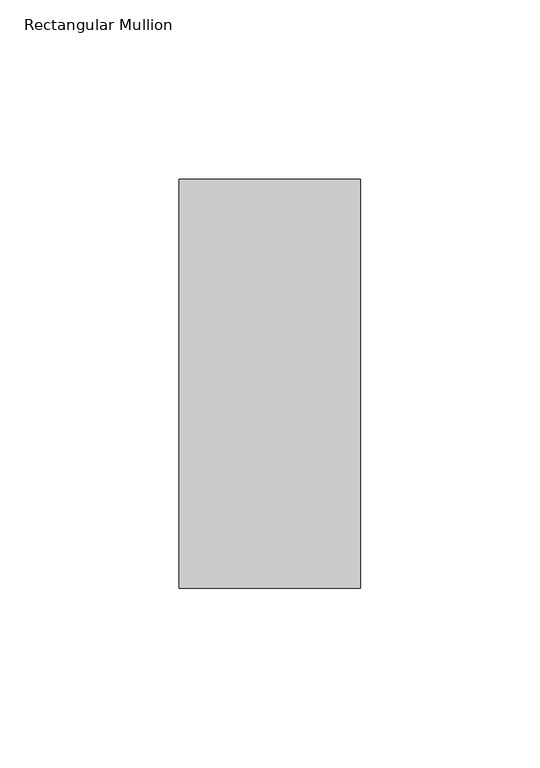
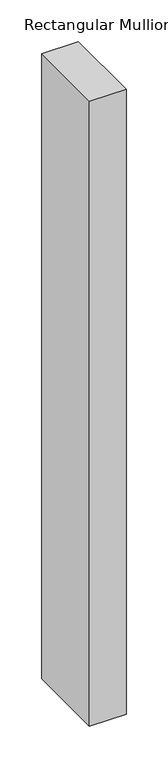
"""IFC4 building model written with IfcOpenShell, lengths in millimetres: member geometry, Rectangular Mullion."""

from ifc_helpers import new_model, si_unit, frame, origin, place, context, project, spatial, polyline, outline, extrude, source, transform, mapped, element, save


def rectangular_mullion_cc60aaa8(model_context):
    return source(origin(), model_context, "Body", "SweptSolid", [
        extrude(outline(polyline([(25.4, 57.12714), (25.4, -57.17286), (-25.4, -57.17286), (-25.4, 57.12714), (25.4, 57.12714)])), frame((0.0, 0.0, -914.4), z_axis=(0.0, 0.0, 1.0), x_axis=(1.0, 0.0, 0.0)), (0.0, 0.0, 1.0), 914.4),
    ])


if __name__ == "__main__":
    model = new_model("IFC4")
    model_context = context("Model", 3, world=origin())
    ifc_project = project(units=[si_unit("LENGTHUNIT", "METRE", prefix="MILLI")], contexts=[model_context])
    site = spatial("IfcSite", under=ifc_project)
    building = spatial("IfcBuilding", under=site)
    placement = place(None, origin())
    rectangular_mullion_shape = rectangular_mullion_cc60aaa8(model_context)
    element("IfcMember", 1, ObjectType="Rectangular Mullion", at=placement, inside=building, context=model_context, shape_type="MappedRepresentation", body=[
        mapped(rectangular_mullion_shape, transform((0.0, 0.0, 0.0), x_axis=(1.0, 0.0, 0.0), y_axis=(0.0, 1.0, 0.0), z_axis=(0.0, 0.0, 1.0))),
    ])
    save(model, "model.ifc")
